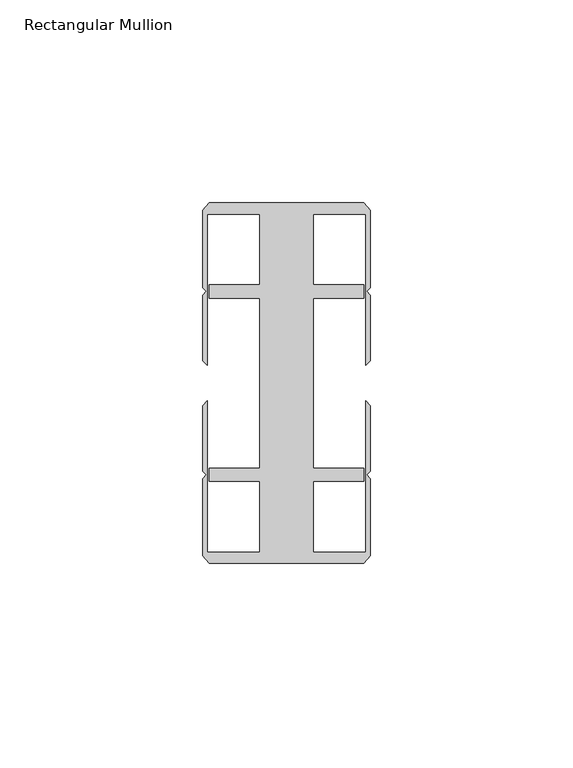
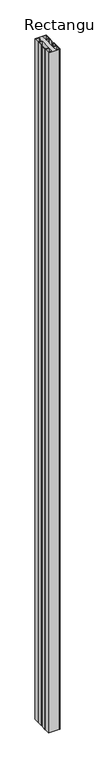
"""IFC4 building model written with IfcOpenShell, lengths in millimetres: member geometry, Rectangular Mullion."""

from ifc_helpers import new_model, si_unit, frame, origin, place, context, project, spatial, polyline, outline, extrude, source, transform, mapped, element, save


def rectangular_mullion_405f7706(model_context):
    return source(origin(), model_context, "Body", "SweptSolid", [
        extrude(outline(polyline([(6.6000002, 41.6500013), (6.6000002, 24.2500008), (19.05, 24.2500008), (19.05, 20.9500007), (6.6000002, 20.9500007), (6.6000002, -20.9500007), (19.05, -20.9500007), (19.05, -24.2500008), (6.6000002, -24.2500008), (6.6000002, -41.6500013), (19.4924102, -41.6500013), (19.4924102, -4.4111602), (20.6375, -5.55625), (20.6375, -21.7153948), (19.7291674, -22.6237274), (20.6375, -23.53206), (20.6375, -42.5778955), (19.05, -44.45), (-19.05, -44.45), (-20.6375, -42.5778955), (-20.6375, -23.53206), (-19.7291674, -22.6237274), (-20.6375, -21.7153948), (-20.6375, -5.55625), (-19.4924102, -4.4111602), (-19.4924102, -41.6500013), (-6.6000002, -41.6500013), (-6.6000002, -24.2500008), (-19.05, -24.2500008), (-19.05, -20.9500007), (-6.6000002, -20.9500007), (-6.6000002, 20.9500007), (-19.05, 20.9500007), (-19.05, 24.2500008), (-6.6000002, 24.2500008), (-6.6000002, 41.6500013), (-19.4924102, 41.6500013), (-19.4924102, 4.4111602), (-20.6375, 5.55625), (-20.6375, 21.7153948), (-19.7291674, 22.6237274), (-20.6375, 23.53206), (-20.6375, 42.5778955), (-19.05, 44.45), (19.05, 44.45), (20.6375, 42.5778955), (20.6375, 23.53206), (19.7291674, 22.6237274), (20.6375, 21.7153948), (20.6375, 5.55625), (19.4924102, 4.4111602), (19.4924102, 41.6500013), (6.6000002, 41.6500013)])), frame((0.0, 0.0, -2613.025), z_axis=(0.0, 0.0, 1.0), x_axis=(1.0, 0.0, 0.0)), (0.0, 0.0, 1.0), 2613.025),
    ])


if __name__ == "__main__":
    model = new_model("IFC4")
    model_context = context("Model", 3, world=origin())
    ifc_project = project(units=[si_unit("LENGTHUNIT", "METRE", prefix="MILLI")], contexts=[model_context])
    site = spatial("IfcSite", under=ifc_project)
    building = spatial("IfcBuilding", under=site)
    placement = place(None, origin())
    rectangular_mullion_shape = rectangular_mullion_405f7706(model_context)
    element("IfcMember", 1, ObjectType="Rectangular Mullion", at=placement, inside=building, context=model_context, shape_type="MappedRepresentation", body=[
        mapped(rectangular_mullion_shape, transform((0.0, 0.0, 0.0), x_axis=(1.0, 0.0, 0.0), y_axis=(0.0, 1.0, 0.0), z_axis=(0.0, 0.0, 1.0))),
    ])
    save(model, "model.ifc")
